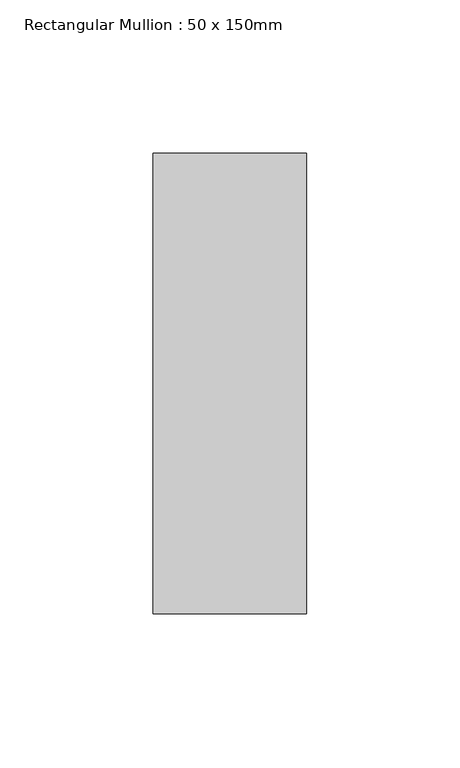
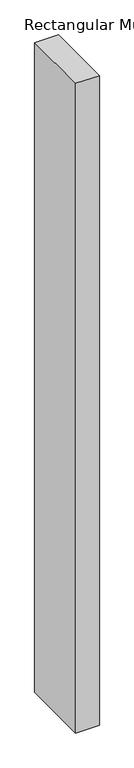
"""IFC4 building model written with IfcOpenShell, lengths in millimetres: member geometry, Rectangular Mullion : 50 x 150mm."""

import ifcopenshell
import ifcopenshell.guid

model = None  # the IFC model being written
_history = None  # IfcOwnerHistory: only IFC2X3 demands one
_inside = {}  # id of a spatial element -> (the spatial element, [elements in it])
_under = {}  # id of a project, library or spatial element -> (it, [spatial elements below it])
_declared = {}  # id of a project -> (the project, [libraries it declares])
_typed = {}  # id of a type object -> (the type object, [elements of that type])
_made_of = {}  # id of a material, layer set ... -> (it, [elements and type objects made of it])


def new_model(schema):
    """Start an empty IFC model of exactly this schema.

    Asked for "IFC4X3", IfcOpenShell would pick the latest addendum, in which some entities
    have other attributes; the version numbers below select the first issue.
    IFC2X3 requires an IfcOwnerHistory on every rooted entity: one is made here for all.
    """
    global model, _history
    if schema == "IFC4X3":
        model = ifcopenshell.file(schema_version=(4, 3, 0, 0))
    else:
        model = ifcopenshell.file(schema=schema)
    _inside.clear()
    _under.clear()
    _declared.clear()
    _typed.clear()
    _made_of.clear()
    _history = None
    if model.schema == "IFC2X3":
        org = make("IfcOrganization", Name="unknown")
        user = make(
            "IfcPersonAndOrganization",
            ThePerson=make("IfcPerson", FamilyName="unknown"),
            TheOrganization=org,
        )
        app = make(
            "IfcApplication",
            ApplicationDeveloper=org,
            Version="unknown",
            ApplicationFullName="unknown",
            ApplicationIdentifier="unknown",
        )
        _history = make(
            "IfcOwnerHistory",
            OwningUser=user,
            OwningApplication=app,
            ChangeAction="ADDED",
            CreationDate=0,
        )
    return model


def make(cls, **values):
    """One entity of the class cls with the attributes given. An attribute that is None is left unset."""
    return model.create_entity(
        cls, **{name: value for name, value in values.items() if value is not None}
    )


def rooted(cls, **values):
    """An entity with a GlobalId (a new one), such as an element, a storey or a relation."""
    return make(cls, GlobalId=ifcopenshell.guid.new(), OwnerHistory=_history, **values)


def si_unit(unit_type, name, prefix=None):
    """IfcSIUnit, for example si_unit("LENGTHUNIT", "METRE", prefix="MILLI")."""
    return make("IfcSIUnit", UnitType=unit_type, Prefix=prefix, Name=name)


def assignment(units):
    """IfcUnitAssignment: the units of a project."""
    return None if units is None else make("IfcUnitAssignment", Units=units)


def point(xyz):
    """IfcCartesianPoint."""
    return None if xyz is None else make("IfcCartesianPoint", Coordinates=xyz)


def direction(xyz):
    """IfcDirection."""
    return None if xyz is None else make("IfcDirection", DirectionRatios=xyz)


def frame(location, z_axis=None, x_axis=None):
    """IfcAxis2Placement3D, a coordinate frame: its origin and axes. An axis left out is left unset."""
    return make(
        "IfcAxis2Placement3D",
        Location=point(location),
        Axis=direction(z_axis),
        RefDirection=direction(x_axis),
    )


def origin():
    """The frame at (0, 0, 0) with its axes left unset."""
    return frame((0.0, 0.0, 0.0))


def place(relative_to, where):
    """IfcLocalPlacement: puts the frame where relative to a parent placement (None: the world)."""
    return make(
        "IfcLocalPlacement", PlacementRelTo=relative_to, RelativePlacement=where
    )


def context(
    kind, dimensions, precision=None, world=None, true_north=None, identifier=None
):
    """IfcGeometricRepresentationContext, for example the 3D "Model" context."""
    return make(
        "IfcGeometricRepresentationContext",
        ContextIdentifier=identifier,
        ContextType=kind,
        CoordinateSpaceDimension=dimensions,
        Precision=precision,
        WorldCoordinateSystem=world,
        TrueNorth=true_north,
    )


def project(units=None, contexts=None):
    """IfcProject with its units and contexts."""
    return rooted(
        "IfcProject",
        Name="project",
        RepresentationContexts=contexts,
        UnitsInContext=assignment(units),
    )


def spatial(cls, under=None, at=None, **own):
    """A site, building, storey or space (cls), placed at a placement, below another one or the project."""
    s = rooted(cls, ObjectPlacement=at, **own)
    if under is not None:
        _under.setdefault(under.id(), (under, []))[1].append(s)
    return s


def polyline(points):
    """IfcPolyline through the points."""
    return make("IfcPolyline", Points=[point(p) for p in points])


def outline(outer, holes=None, kind="AREA"):
    """IfcArbitraryClosedProfileDef: a profile drawn as a closed curve; with holes, ...WithVoids."""
    if holes is None:
        return make("IfcArbitraryClosedProfileDef", ProfileType=kind, OuterCurve=outer)
    return make(
        "IfcArbitraryProfileDefWithVoids",
        ProfileType=kind,
        OuterCurve=outer,
        InnerCurves=holes,
    )


def extrude(swept, where, along, depth):
    """IfcExtrudedAreaSolid: the profile swept, set in the frame where, extruded along a direction by depth."""
    return make(
        "IfcExtrudedAreaSolid",
        SweptArea=swept,
        Position=where,
        ExtrudedDirection=direction(along),
        Depth=depth,
    )


def shape(context_of_items, identifier, shape_type, items):
    """IfcShapeRepresentation: the items that make up one representation, for example the "Body"."""
    return make(
        "IfcShapeRepresentation",
        ContextOfItems=context_of_items,
        RepresentationIdentifier=identifier,
        RepresentationType=shape_type,
        Items=items,
    )


def source(mapping_origin, context_of_items, identifier, shape_type, items):
    """IfcRepresentationMap: a shape defined once, which mapped items show again and again."""
    return make(
        "IfcRepresentationMap",
        MappingOrigin=mapping_origin,
        MappedRepresentation=shape(context_of_items, identifier, shape_type, items),
    )


def transform(
    local_origin,
    x_axis=None,
    y_axis=None,
    z_axis=None,
    scale=None,
    scale2=None,
    scale3=None,
    uniform=True,
):
    """IfcCartesianTransformationOperator3D, or its non-uniform kind. x_axis, y_axis, z_axis: its Axis1, 2, 3."""
    if uniform:
        return make(
            "IfcCartesianTransformationOperator3D",
            Axis1=direction(x_axis),
            Axis2=direction(y_axis),
            LocalOrigin=point(local_origin),
            Scale=scale,
            Axis3=direction(z_axis),
        )
    return make(
        "IfcCartesianTransformationOperator3DnonUniform",
        Axis1=direction(x_axis),
        Axis2=direction(y_axis),
        LocalOrigin=point(local_origin),
        Scale=scale,
        Axis3=direction(z_axis),
        Scale2=scale2,
        Scale3=scale3,
    )


def mapped(mapping_source, mapping_target):
    """IfcMappedItem: shows the shape of a source again, moved by a transform."""
    return make(
        "IfcMappedItem", MappingSource=mapping_source, MappingTarget=mapping_target
    )


def made_of(thing, what):
    """Note that an element or type object is made of a material, layer set ...; save() writes the relation."""
    if what is not None:
        _made_of.setdefault(what.id(), (what, []))[1].append(thing)
    return thing


def element(
    cls,
    number,
    at=None,
    inside=None,
    cuts=None,
    type_object=None,
    material=None,
    context=None,
    identifier="Body",
    shape_type=None,
    held_by="IfcProductDefinitionShape",
    body=None,
    shapes=None,
    **own,
):
    """One element of the class cls, such as IfcWall. Its Tag is "e" and its number.

    at: its placement. inside: the storey or other place that contains it. cuts: it is an
    opening in that element (IfcRelVoidsElement). A single representation is given by context,
    identifier, shape_type and body (its items); several are given by shapes. held_by: the class
    of the entity that holds the representations. save() writes the other relations.
    """
    e = rooted(cls, Tag="e%d" % number, ObjectPlacement=at, **own)
    if body is not None:
        shapes = [shape(context, identifier, shape_type, body)]
    if shapes is not None:
        e.Representation = make(held_by, Representations=shapes)
    if inside is not None:
        _inside.setdefault(inside.id(), (inside, []))[1].append(e)
    if cuts is not None:
        rooted(
            "IfcRelVoidsElement", RelatingBuildingElement=cuts, RelatedOpeningElement=e
        )
    if type_object is not None:
        _typed.setdefault(type_object.id(), (type_object, []))[1].append(e)
    return made_of(e, material)


def aggregate(whole, parts):
    """IfcRelAggregates: a whole, such as a stair, and the parts it consists of."""
    return rooted("IfcRelAggregates", RelatingObject=whole, RelatedObjects=parts)


def save(model, path):
    """Write the relations noted so far, then the file.

    IfcRelAggregates (storeys below a building ...), IfcRelContainedInSpatialStructure (elements
    in a storey), IfcRelDefinesByType, IfcRelAssociatesMaterial and IfcRelDeclares: one each for
    every whole, place, type object, material and project.
    """
    for whole, parts in _under.values():
        aggregate(whole, parts)
    for where, things in _inside.values():
        rooted(
            "IfcRelContainedInSpatialStructure",
            RelatedElements=things,
            RelatingStructure=where,
        )
    for kind, things in _typed.values():
        rooted("IfcRelDefinesByType", RelatedObjects=things, RelatingType=kind)
    for what, things in _made_of.values():
        rooted("IfcRelAssociatesMaterial", RelatedObjects=things, RelatingMaterial=what)
    for by, libraries in _declared.values():
        rooted("IfcRelDeclares", RelatingContext=by, RelatedDefinitions=libraries)
    model.write(path)


def rectangular_mullion_50_x_150mm_cd93b58e(model_context):
    return source(origin(), model_context, "Body", "SweptSolid", [
        extrude(outline(polyline([(0.0, 75.0), (0.0, -75.0), (-50.0, -75.0), (-50.0, 75.0), (0.0, 75.0)])), frame((0.0, 0.0, -1452.3858794), z_axis=(0.0, 0.0, 1.0), x_axis=(1.0, 0.0, 0.0)), (0.0, 0.0, 1.0), 1452.3858794),
    ])


if __name__ == "__main__":
    model = new_model("IFC4")
    model_context = context("Model", 3, world=origin())
    ifc_project = project(units=[si_unit("LENGTHUNIT", "METRE", prefix="MILLI")], contexts=[model_context])
    site = spatial("IfcSite", under=ifc_project)
    building = spatial("IfcBuilding", under=site)
    placement = place(None, origin())
    rectangular_mullion_50_x_150mm_shape = rectangular_mullion_50_x_150mm_cd93b58e(model_context)
    element("IfcMember", 1, ObjectType="Rectangular Mullion : 50 x 150mm", at=placement, inside=building, context=model_context, shape_type="MappedRepresentation", body=[
        mapped(rectangular_mullion_50_x_150mm_shape, transform((0.0, 0.0, 0.0), x_axis=(1.0, 0.0, 0.0), y_axis=(0.0, 1.0, 0.0), z_axis=(0.0, 0.0, 1.0))),
    ])
    save(model, "model.ifc")
